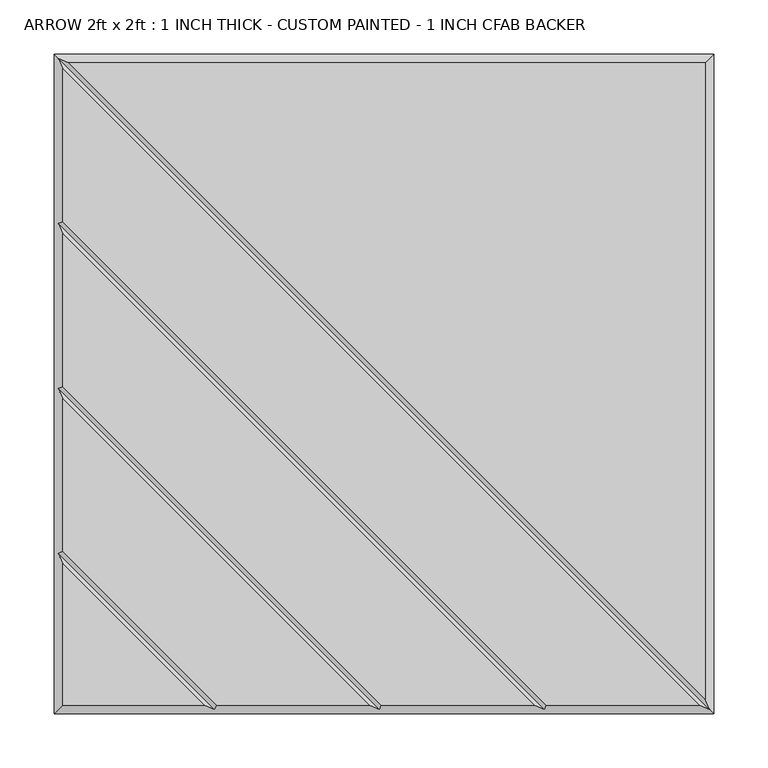
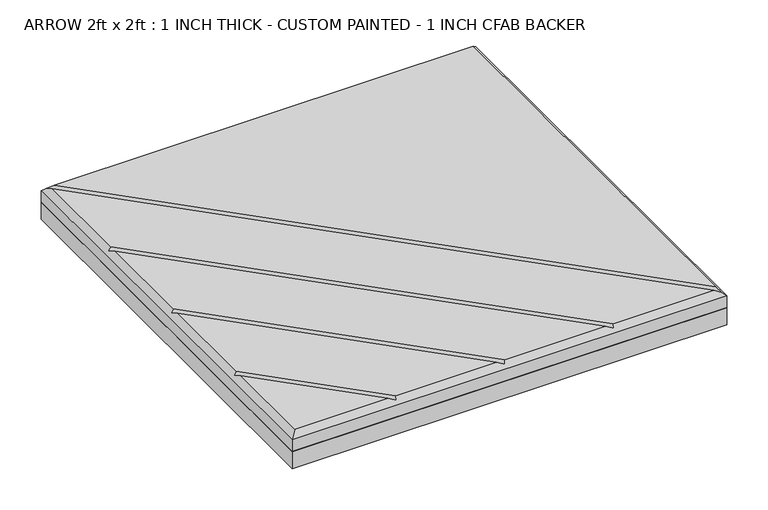
"""IFC4 building model written with IfcOpenShell, lengths in millimetres: proxy geometry, ARROW 2ft x 2ft : 1 INCH THICK - CUSTOM PAINTED - 1 INCH CFAB BACKER."""

from ifc_helpers import new_model, si_unit, frame, origin, place, context, project, spatial, polyline, outline, extrude, faceted_brep, source, transform, mapped, element, save


def arrow_2ft_x_2ft_1_inch_thick_custom_painted_1_inch_cfab_73812bc9(model_context):
    return source(origin(), model_context, "Body", "SolidModel", [
        extrude(outline(polyline([(-304.8, 304.8), (304.8, 304.8), (304.8, -304.8), (-304.8, -304.8), (-304.8, 304.8)])), frame((0.0, 0.0, -25.4), z_axis=(0.0, 0.0, 1.0), x_axis=(1.0, 0.0, 0.0)), (0.0, 0.0, 1.0), 25.4),
        faceted_brep([(296.799, 296.799, 25.4), (-291.1414386, 296.799, 25.4), (296.799, -291.1414386, 25.4), (291.1414386, -296.799, 25.4), (-296.799, 291.1414386, 25.4), (-296.799, 150.0565868, 25.4), (150.0565868, -296.799, 25.4), (138.741464, -296.799, 25.4), (-296.799, 138.741464, 25.4), (-296.799, -2.3434132, 25.4), (-2.3434132, -296.799, 25.4), (-13.658536, -296.799, 25.4), (-296.799, -13.658536, 25.4), (-296.799, -154.7434132, 25.4), (-154.7434132, -296.799, 25.4), (-296.799, -166.058536, 25.4), (-296.799, -296.799, 25.4), (-166.058536, -296.799, 25.4), (-304.8, 304.8, 0.0), (304.8, 304.8, 0.0), (304.8, -304.8, 0.0), (-304.8, -304.8, 0.0), (-304.8, -304.8, 17.399), (-304.8, 304.8, 17.399), (304.8, -304.8, 17.399), (304.8, 304.8, 17.399), (-300.7995, 300.7995, 21.3995), (-300.7995, -156.4004746, 21.3995), (-300.7995, -4.0004746, 21.3995), (-300.7995, 148.3995254, 21.3995), (300.7995, -300.7995, 21.3995), (148.3995254, -300.7995, 21.3995), (-4.0004746, -300.7995, 21.3995), (-156.4004746, -300.7995, 21.3995)], [[[0, 1, 2]], [[3, 4, 5, 6]], [[7, 8, 9, 10]], [[11, 12, 13, 14]], [[15, 16, 17]], [[18, 19, 20, 21]], [[18, 21, 22, 23]], [[21, 20, 24, 22]], [[20, 19, 25, 24]], [[19, 18, 23, 25]], [[0, 25, 23, 26, 1]], [[22, 16, 15, 27, 13, 12, 28, 9, 8, 29, 5, 4, 26, 23]], [[16, 22, 24, 30, 3, 6, 31, 7, 10, 32, 11, 14, 33, 17]], [[25, 0, 2, 30, 24]], [[26, 30, 2, 1]], [[30, 26, 4, 3]], [[29, 31, 6, 5]], [[31, 29, 8, 7]], [[28, 32, 10, 9]], [[32, 28, 12, 11]], [[27, 33, 14, 13]], [[33, 27, 15, 17]]]),
    ])


if __name__ == "__main__":
    model = new_model("IFC4")
    model_context = context("Model", 3, world=origin())
    ifc_project = project(units=[si_unit("LENGTHUNIT", "METRE", prefix="MILLI")], contexts=[model_context])
    site = spatial("IfcSite", under=ifc_project)
    building = spatial("IfcBuilding", under=site)
    placement = place(None, origin())
    arrow_2ft_x_2ft_1_inch_thick_custom_painted_1_inch_cfab_shape = arrow_2ft_x_2ft_1_inch_thick_custom_painted_1_inch_cfab_73812bc9(model_context)
    element("IfcBuildingElementProxy", 1, Name="ARROW 2ft x 2ft : 1 INCH THICK - CUSTOM PAINTED - 1 INCH CFAB BACKER", ObjectType="ARROW 2ft x 2ft : 1 INCH THICK - CUSTOM PAINTED - 1 INCH CFAB BACKER", at=placement, inside=building, context=model_context, shape_type="MappedRepresentation", body=[
        mapped(arrow_2ft_x_2ft_1_inch_thick_custom_painted_1_inch_cfab_shape, transform((0.0, 0.0, 0.0), x_axis=(1.0, 0.0, 0.0), y_axis=(0.0, 1.0, 0.0), z_axis=(0.0, 0.0, 1.0))),
    ])
    save(model, "model.ifc")
